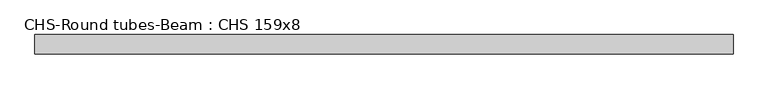
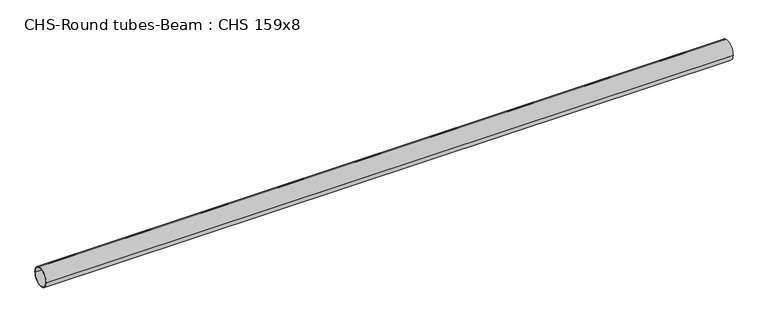
"""IFC4 building model written with IfcOpenShell, lengths in millimetres: beam geometry, CHS-Round tubes-Beam : CHS 159x8."""

import ifcopenshell
import ifcopenshell.guid

model = None  # the IFC model being written
_history = None  # IfcOwnerHistory: only IFC2X3 demands one
_inside = {}  # id of a spatial element -> (the spatial element, [elements in it])
_under = {}  # id of a project, library or spatial element -> (it, [spatial elements below it])
_declared = {}  # id of a project -> (the project, [libraries it declares])
_typed = {}  # id of a type object -> (the type object, [elements of that type])
_made_of = {}  # id of a material, layer set ... -> (it, [elements and type objects made of it])


def new_model(schema):
    """Start an empty IFC model of exactly this schema.

    Asked for "IFC4X3", IfcOpenShell would pick the latest addendum, in which some entities
    have other attributes; the version numbers below select the first issue.
    IFC2X3 requires an IfcOwnerHistory on every rooted entity: one is made here for all.
    """
    global model, _history
    if schema == "IFC4X3":
        model = ifcopenshell.file(schema_version=(4, 3, 0, 0))
    else:
        model = ifcopenshell.file(schema=schema)
    _inside.clear()
    _under.clear()
    _declared.clear()
    _typed.clear()
    _made_of.clear()
    _history = None
    if model.schema == "IFC2X3":
        org = make("IfcOrganization", Name="unknown")
        user = make(
            "IfcPersonAndOrganization",
            ThePerson=make("IfcPerson", FamilyName="unknown"),
            TheOrganization=org,
        )
        app = make(
            "IfcApplication",
            ApplicationDeveloper=org,
            Version="unknown",
            ApplicationFullName="unknown",
            ApplicationIdentifier="unknown",
        )
        _history = make(
            "IfcOwnerHistory",
            OwningUser=user,
            OwningApplication=app,
            ChangeAction="ADDED",
            CreationDate=0,
        )
    return model


def make(cls, **values):
    """One entity of the class cls with the attributes given. An attribute that is None is left unset."""
    return model.create_entity(
        cls, **{name: value for name, value in values.items() if value is not None}
    )


def rooted(cls, **values):
    """An entity with a GlobalId (a new one), such as an element, a storey or a relation."""
    return make(cls, GlobalId=ifcopenshell.guid.new(), OwnerHistory=_history, **values)


def si_unit(unit_type, name, prefix=None):
    """IfcSIUnit, for example si_unit("LENGTHUNIT", "METRE", prefix="MILLI")."""
    return make("IfcSIUnit", UnitType=unit_type, Prefix=prefix, Name=name)


def assignment(units):
    """IfcUnitAssignment: the units of a project."""
    return None if units is None else make("IfcUnitAssignment", Units=units)


def point(xyz):
    """IfcCartesianPoint."""
    return None if xyz is None else make("IfcCartesianPoint", Coordinates=xyz)


def direction(xyz):
    """IfcDirection."""
    return None if xyz is None else make("IfcDirection", DirectionRatios=xyz)


def frame(location, z_axis=None, x_axis=None):
    """IfcAxis2Placement3D, a coordinate frame: its origin and axes. An axis left out is left unset."""
    return make(
        "IfcAxis2Placement3D",
        Location=point(location),
        Axis=direction(z_axis),
        RefDirection=direction(x_axis),
    )


def frame_2d(location, x_axis=None):
    """IfcAxis2Placement2D, a coordinate frame in the plane: its origin and x axis."""
    return make(
        "IfcAxis2Placement2D", Location=point(location), RefDirection=direction(x_axis)
    )


def origin():
    """The frame at (0, 0, 0) with its axes left unset."""
    return frame((0.0, 0.0, 0.0))


def origin_2d():
    """The frame at (0, 0) in the plane with its x axis left unset."""
    return frame_2d((0.0, 0.0))


def place(relative_to, where):
    """IfcLocalPlacement: puts the frame where relative to a parent placement (None: the world)."""
    return make(
        "IfcLocalPlacement", PlacementRelTo=relative_to, RelativePlacement=where
    )


def context(
    kind, dimensions, precision=None, world=None, true_north=None, identifier=None
):
    """IfcGeometricRepresentationContext, for example the 3D "Model" context."""
    return make(
        "IfcGeometricRepresentationContext",
        ContextIdentifier=identifier,
        ContextType=kind,
        CoordinateSpaceDimension=dimensions,
        Precision=precision,
        WorldCoordinateSystem=world,
        TrueNorth=true_north,
    )


def project(units=None, contexts=None):
    """IfcProject with its units and contexts."""
    return rooted(
        "IfcProject",
        Name="project",
        RepresentationContexts=contexts,
        UnitsInContext=assignment(units),
    )


def spatial(cls, under=None, at=None, **own):
    """A site, building, storey or space (cls), placed at a placement, below another one or the project."""
    s = rooted(cls, ObjectPlacement=at, **own)
    if under is not None:
        _under.setdefault(under.id(), (under, []))[1].append(s)
    return s


def circle_curve(where, radius):
    """IfcCircle in the frame where."""
    return make("IfcCircle", Position=where, Radius=radius)


def trimmed(basis, trim1, trim2, sense, master):
    """IfcTrimmedCurve: the piece of a basis curve between two trims."""
    return make(
        "IfcTrimmedCurve",
        BasisCurve=basis,
        Trim1=trim1,
        Trim2=trim2,
        SenseAgreement=sense,
        MasterRepresentation=master,
    )


def segment(curve, same_sense, transition):
    """IfcCompositeCurveSegment."""
    return make(
        "IfcCompositeCurveSegment",
        Transition=transition,
        SameSense=same_sense,
        ParentCurve=curve,
    )


def composite_curve(segments, self_intersect=None):
    """IfcCompositeCurve: segments joined end to end."""
    return make("IfcCompositeCurve", Segments=segments, SelfIntersect=self_intersect)


def outline(outer, holes=None, kind="AREA"):
    """IfcArbitraryClosedProfileDef: a profile drawn as a closed curve; with holes, ...WithVoids."""
    if holes is None:
        return make("IfcArbitraryClosedProfileDef", ProfileType=kind, OuterCurve=outer)
    return make(
        "IfcArbitraryProfileDefWithVoids",
        ProfileType=kind,
        OuterCurve=outer,
        InnerCurves=holes,
    )


def extrude(swept, where, along, depth):
    """IfcExtrudedAreaSolid: the profile swept, set in the frame where, extruded along a direction by depth."""
    return make(
        "IfcExtrudedAreaSolid",
        SweptArea=swept,
        Position=where,
        ExtrudedDirection=direction(along),
        Depth=depth,
    )


def shape(context_of_items, identifier, shape_type, items):
    """IfcShapeRepresentation: the items that make up one representation, for example the "Body"."""
    return make(
        "IfcShapeRepresentation",
        ContextOfItems=context_of_items,
        RepresentationIdentifier=identifier,
        RepresentationType=shape_type,
        Items=items,
    )


def source(mapping_origin, context_of_items, identifier, shape_type, items):
    """IfcRepresentationMap: a shape defined once, which mapped items show again and again."""
    return make(
        "IfcRepresentationMap",
        MappingOrigin=mapping_origin,
        MappedRepresentation=shape(context_of_items, identifier, shape_type, items),
    )


def transform(
    local_origin,
    x_axis=None,
    y_axis=None,
    z_axis=None,
    scale=None,
    scale2=None,
    scale3=None,
    uniform=True,
):
    """IfcCartesianTransformationOperator3D, or its non-uniform kind. x_axis, y_axis, z_axis: its Axis1, 2, 3."""
    if uniform:
        return make(
            "IfcCartesianTransformationOperator3D",
            Axis1=direction(x_axis),
            Axis2=direction(y_axis),
            LocalOrigin=point(local_origin),
            Scale=scale,
            Axis3=direction(z_axis),
        )
    return make(
        "IfcCartesianTransformationOperator3DnonUniform",
        Axis1=direction(x_axis),
        Axis2=direction(y_axis),
        LocalOrigin=point(local_origin),
        Scale=scale,
        Axis3=direction(z_axis),
        Scale2=scale2,
        Scale3=scale3,
    )


def mapped(mapping_source, mapping_target):
    """IfcMappedItem: shows the shape of a source again, moved by a transform."""
    return make(
        "IfcMappedItem", MappingSource=mapping_source, MappingTarget=mapping_target
    )


def made_of(thing, what):
    """Note that an element or type object is made of a material, layer set ...; save() writes the relation."""
    if what is not None:
        _made_of.setdefault(what.id(), (what, []))[1].append(thing)
    return thing


def element(
    cls,
    number,
    at=None,
    inside=None,
    cuts=None,
    type_object=None,
    material=None,
    context=None,
    identifier="Body",
    shape_type=None,
    held_by="IfcProductDefinitionShape",
    body=None,
    shapes=None,
    **own,
):
    """One element of the class cls, such as IfcWall. Its Tag is "e" and its number.

    at: its placement. inside: the storey or other place that contains it. cuts: it is an
    opening in that element (IfcRelVoidsElement). A single representation is given by context,
    identifier, shape_type and body (its items); several are given by shapes. held_by: the class
    of the entity that holds the representations. save() writes the other relations.
    """
    e = rooted(cls, Tag="e%d" % number, ObjectPlacement=at, **own)
    if body is not None:
        shapes = [shape(context, identifier, shape_type, body)]
    if shapes is not None:
        e.Representation = make(held_by, Representations=shapes)
    if inside is not None:
        _inside.setdefault(inside.id(), (inside, []))[1].append(e)
    if cuts is not None:
        rooted(
            "IfcRelVoidsElement", RelatingBuildingElement=cuts, RelatedOpeningElement=e
        )
    if type_object is not None:
        _typed.setdefault(type_object.id(), (type_object, []))[1].append(e)
    return made_of(e, material)


def aggregate(whole, parts):
    """IfcRelAggregates: a whole, such as a stair, and the parts it consists of."""
    return rooted("IfcRelAggregates", RelatingObject=whole, RelatedObjects=parts)


def save(model, path):
    """Write the relations noted so far, then the file.

    IfcRelAggregates (storeys below a building ...), IfcRelContainedInSpatialStructure (elements
    in a storey), IfcRelDefinesByType, IfcRelAssociatesMaterial and IfcRelDeclares: one each for
    every whole, place, type object, material and project.
    """
    for whole, parts in _under.values():
        aggregate(whole, parts)
    for where, things in _inside.values():
        rooted(
            "IfcRelContainedInSpatialStructure",
            RelatedElements=things,
            RelatingStructure=where,
        )
    for kind, things in _typed.values():
        rooted("IfcRelDefinesByType", RelatedObjects=things, RelatingType=kind)
    for what, things in _made_of.values():
        rooted("IfcRelAssociatesMaterial", RelatedObjects=things, RelatingMaterial=what)
    for by, libraries in _declared.values():
        rooted("IfcRelDeclares", RelatingContext=by, RelatedDefinitions=libraries)
    model.write(path)


def chs_round_tubes_beam_chs_159x8_e3ed16d8(model_context):
    return source(origin(), model_context, "Body", "SweptSolid", [
        extrude(outline(composite_curve([segment(trimmed(circle_curve(origin_2d(), 79.5), [point((79.5, 0.0))], [point((-79.5, 0.0))], False, "CARTESIAN"), True, "CONTINUOUS"), segment(trimmed(circle_curve(origin_2d(), 79.5), [point((-79.5, 0.0))], [point((79.5, 0.0))], False, "CARTESIAN"), True, "CONTINUOUS")], self_intersect=False), holes=[composite_curve([segment(trimmed(circle_curve(origin_2d(), 71.5), [point((71.5, 0.0))], [point((-71.5, 0.0))], True, "CARTESIAN"), True, "CONTINUOUS"), segment(trimmed(circle_curve(origin_2d(), 71.5), [point((-71.5, 0.0))], [point((71.5, 0.0))], True, "CARTESIAN"), True, "CONTINUOUS")], self_intersect=False)]), frame((-2837.8257873, 0.0, 0.0), z_axis=(1.0, 0.0, 0.0), x_axis=(0.0, 1.0, 0.0)), (0.0, 0.0, 1.0), 5671.4637611),
    ])


if __name__ == "__main__":
    model = new_model("IFC4")
    model_context = context("Model", 3, world=origin())
    ifc_project = project(units=[si_unit("LENGTHUNIT", "METRE", prefix="MILLI")], contexts=[model_context])
    site = spatial("IfcSite", under=ifc_project)
    building = spatial("IfcBuilding", under=site)
    placement = place(None, origin())
    chs_round_tubes_beam_chs_159x8_shape = chs_round_tubes_beam_chs_159x8_e3ed16d8(model_context)
    element("IfcBeam", 1, ObjectType="CHS-Round tubes-Beam : CHS 159x8", at=placement, inside=building, context=model_context, shape_type="MappedRepresentation", body=[
        mapped(chs_round_tubes_beam_chs_159x8_shape, transform((0.0, 0.0, 0.0), x_axis=(1.0, 0.0, 0.0), y_axis=(0.0, 1.0, 0.0), z_axis=(0.0, 0.0, 1.0))),
    ])
    save(model, "model.ifc")
